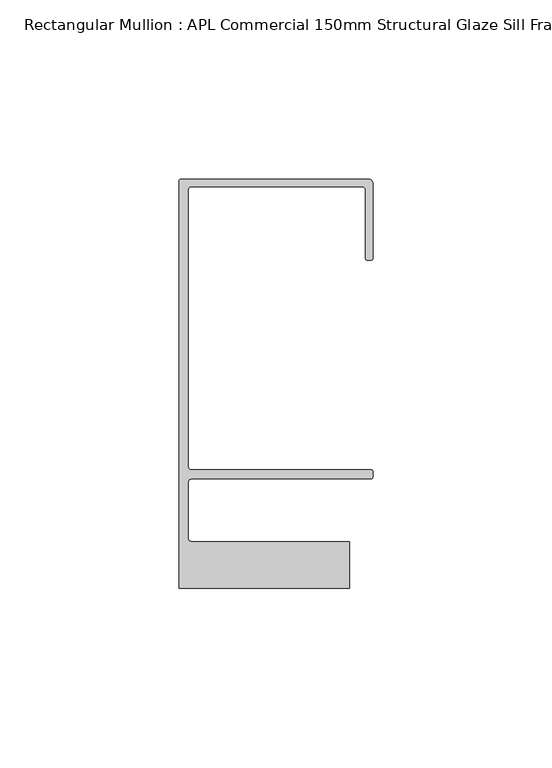
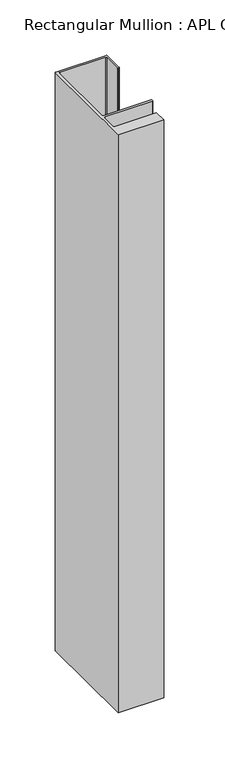
"""IFC4 building model written with IfcOpenShell, lengths in millimetres: member geometry, Rectangular Mullion : APL Commercial 150mm Structural Glaze Sill Frame (Back)."""

import ifcopenshell
import ifcopenshell.guid

model = None  # the IFC model being written
_history = None  # IfcOwnerHistory: only IFC2X3 demands one
_inside = {}  # id of a spatial element -> (the spatial element, [elements in it])
_under = {}  # id of a project, library or spatial element -> (it, [spatial elements below it])
_declared = {}  # id of a project -> (the project, [libraries it declares])
_typed = {}  # id of a type object -> (the type object, [elements of that type])
_made_of = {}  # id of a material, layer set ... -> (it, [elements and type objects made of it])


def new_model(schema):
    """Start an empty IFC model of exactly this schema.

    Asked for "IFC4X3", IfcOpenShell would pick the latest addendum, in which some entities
    have other attributes; the version numbers below select the first issue.
    IFC2X3 requires an IfcOwnerHistory on every rooted entity: one is made here for all.
    """
    global model, _history
    if schema == "IFC4X3":
        model = ifcopenshell.file(schema_version=(4, 3, 0, 0))
    else:
        model = ifcopenshell.file(schema=schema)
    _inside.clear()
    _under.clear()
    _declared.clear()
    _typed.clear()
    _made_of.clear()
    _history = None
    if model.schema == "IFC2X3":
        org = make("IfcOrganization", Name="unknown")
        user = make(
            "IfcPersonAndOrganization",
            ThePerson=make("IfcPerson", FamilyName="unknown"),
            TheOrganization=org,
        )
        app = make(
            "IfcApplication",
            ApplicationDeveloper=org,
            Version="unknown",
            ApplicationFullName="unknown",
            ApplicationIdentifier="unknown",
        )
        _history = make(
            "IfcOwnerHistory",
            OwningUser=user,
            OwningApplication=app,
            ChangeAction="ADDED",
            CreationDate=0,
        )
    return model


def make(cls, **values):
    """One entity of the class cls with the attributes given. An attribute that is None is left unset."""
    return model.create_entity(
        cls, **{name: value for name, value in values.items() if value is not None}
    )


def rooted(cls, **values):
    """An entity with a GlobalId (a new one), such as an element, a storey or a relation."""
    return make(cls, GlobalId=ifcopenshell.guid.new(), OwnerHistory=_history, **values)


def si_unit(unit_type, name, prefix=None):
    """IfcSIUnit, for example si_unit("LENGTHUNIT", "METRE", prefix="MILLI")."""
    return make("IfcSIUnit", UnitType=unit_type, Prefix=prefix, Name=name)


def assignment(units):
    """IfcUnitAssignment: the units of a project."""
    return None if units is None else make("IfcUnitAssignment", Units=units)


def point(xyz):
    """IfcCartesianPoint."""
    return None if xyz is None else make("IfcCartesianPoint", Coordinates=xyz)


def direction(xyz):
    """IfcDirection."""
    return None if xyz is None else make("IfcDirection", DirectionRatios=xyz)


def frame(location, z_axis=None, x_axis=None):
    """IfcAxis2Placement3D, a coordinate frame: its origin and axes. An axis left out is left unset."""
    return make(
        "IfcAxis2Placement3D",
        Location=point(location),
        Axis=direction(z_axis),
        RefDirection=direction(x_axis),
    )


def origin():
    """The frame at (0, 0, 0) with its axes left unset."""
    return frame((0.0, 0.0, 0.0))


def place(relative_to, where):
    """IfcLocalPlacement: puts the frame where relative to a parent placement (None: the world)."""
    return make(
        "IfcLocalPlacement", PlacementRelTo=relative_to, RelativePlacement=where
    )


def context(
    kind, dimensions, precision=None, world=None, true_north=None, identifier=None
):
    """IfcGeometricRepresentationContext, for example the 3D "Model" context."""
    return make(
        "IfcGeometricRepresentationContext",
        ContextIdentifier=identifier,
        ContextType=kind,
        CoordinateSpaceDimension=dimensions,
        Precision=precision,
        WorldCoordinateSystem=world,
        TrueNorth=true_north,
    )


def project(units=None, contexts=None):
    """IfcProject with its units and contexts."""
    return rooted(
        "IfcProject",
        Name="project",
        RepresentationContexts=contexts,
        UnitsInContext=assignment(units),
    )


def spatial(cls, under=None, at=None, **own):
    """A site, building, storey or space (cls), placed at a placement, below another one or the project."""
    s = rooted(cls, ObjectPlacement=at, **own)
    if under is not None:
        _under.setdefault(under.id(), (under, []))[1].append(s)
    return s


def polyline(points):
    """IfcPolyline through the points."""
    return make("IfcPolyline", Points=[point(p) for p in points])


def circle_curve(where, radius):
    """IfcCircle in the frame where."""
    return make("IfcCircle", Position=where, Radius=radius)


def shape(context_of_items, identifier, shape_type, items):
    """IfcShapeRepresentation: the items that make up one representation, for example the "Body"."""
    return make(
        "IfcShapeRepresentation",
        ContextOfItems=context_of_items,
        RepresentationIdentifier=identifier,
        RepresentationType=shape_type,
        Items=items,
    )


def source(mapping_origin, context_of_items, identifier, shape_type, items):
    """IfcRepresentationMap: a shape defined once, which mapped items show again and again."""
    return make(
        "IfcRepresentationMap",
        MappingOrigin=mapping_origin,
        MappedRepresentation=shape(context_of_items, identifier, shape_type, items),
    )


def transform(
    local_origin,
    x_axis=None,
    y_axis=None,
    z_axis=None,
    scale=None,
    scale2=None,
    scale3=None,
    uniform=True,
):
    """IfcCartesianTransformationOperator3D, or its non-uniform kind. x_axis, y_axis, z_axis: its Axis1, 2, 3."""
    if uniform:
        return make(
            "IfcCartesianTransformationOperator3D",
            Axis1=direction(x_axis),
            Axis2=direction(y_axis),
            LocalOrigin=point(local_origin),
            Scale=scale,
            Axis3=direction(z_axis),
        )
    return make(
        "IfcCartesianTransformationOperator3DnonUniform",
        Axis1=direction(x_axis),
        Axis2=direction(y_axis),
        LocalOrigin=point(local_origin),
        Scale=scale,
        Axis3=direction(z_axis),
        Scale2=scale2,
        Scale3=scale3,
    )


def mapped(mapping_source, mapping_target):
    """IfcMappedItem: shows the shape of a source again, moved by a transform."""
    return make(
        "IfcMappedItem", MappingSource=mapping_source, MappingTarget=mapping_target
    )


def made_of(thing, what):
    """Note that an element or type object is made of a material, layer set ...; save() writes the relation."""
    if what is not None:
        _made_of.setdefault(what.id(), (what, []))[1].append(thing)
    return thing


def element(
    cls,
    number,
    at=None,
    inside=None,
    cuts=None,
    type_object=None,
    material=None,
    context=None,
    identifier="Body",
    shape_type=None,
    held_by="IfcProductDefinitionShape",
    body=None,
    shapes=None,
    **own,
):
    """One element of the class cls, such as IfcWall. Its Tag is "e" and its number.

    at: its placement. inside: the storey or other place that contains it. cuts: it is an
    opening in that element (IfcRelVoidsElement). A single representation is given by context,
    identifier, shape_type and body (its items); several are given by shapes. held_by: the class
    of the entity that holds the representations. save() writes the other relations.
    """
    e = rooted(cls, Tag="e%d" % number, ObjectPlacement=at, **own)
    if body is not None:
        shapes = [shape(context, identifier, shape_type, body)]
    if shapes is not None:
        e.Representation = make(held_by, Representations=shapes)
    if inside is not None:
        _inside.setdefault(inside.id(), (inside, []))[1].append(e)
    if cuts is not None:
        rooted(
            "IfcRelVoidsElement", RelatingBuildingElement=cuts, RelatedOpeningElement=e
        )
    if type_object is not None:
        _typed.setdefault(type_object.id(), (type_object, []))[1].append(e)
    return made_of(e, material)


def aggregate(whole, parts):
    """IfcRelAggregates: a whole, such as a stair, and the parts it consists of."""
    return rooted("IfcRelAggregates", RelatingObject=whole, RelatedObjects=parts)


def save(model, path):
    """Write the relations noted so far, then the file.

    IfcRelAggregates (storeys below a building ...), IfcRelContainedInSpatialStructure (elements
    in a storey), IfcRelDefinesByType, IfcRelAssociatesMaterial and IfcRelDeclares: one each for
    every whole, place, type object, material and project.
    """
    for whole, parts in _under.values():
        aggregate(whole, parts)
    for where, things in _inside.values():
        rooted(
            "IfcRelContainedInSpatialStructure",
            RelatedElements=things,
            RelatingStructure=where,
        )
    for kind, things in _typed.values():
        rooted("IfcRelDefinesByType", RelatedObjects=things, RelatingType=kind)
    for what, things in _made_of.values():
        rooted("IfcRelAssociatesMaterial", RelatedObjects=things, RelatingMaterial=what)
    for by, libraries in _declared.values():
        rooted("IfcRelDeclares", RelatingContext=by, RelatedDefinitions=libraries)
    model.write(path)


def plane_surface(at):
    """IfcPlane: the flat surface through the origin of the frame at, square to its z axis."""
    return make("IfcPlane", Position=at)


def cylinder_surface(at, radius):
    """IfcCylindricalSurface: all points at the distance radius from the z axis of the frame at."""
    return make("IfcCylindricalSurface", Position=at, Radius=radius)


def revolved_surface(curve, axis_point, axis_direction):
    """IfcSurfaceOfRevolution: the curve turned about the line through axis_point along axis_direction."""
    return make(
        "IfcSurfaceOfRevolution",
        SweptCurve=make("IfcArbitraryOpenProfileDef", ProfileType="CURVE", Curve=curve),
        AxisPosition=make("IfcAxis1Placement", Location=point(axis_point), Axis=direction(axis_direction)),
    )


def advanced_brep(points, edges, surfaces, faces):
    """IfcAdvancedBrep: a solid bounded by faces that lie on surfaces and meet in shared edges.

    An edge is (start, end): straight between two places in points (the first is 0);
    or (start, end, curve); or (start, end, curve, False) where it runs against its curve.
    A face is (place in surfaces, loops), or (place, loops, False) where it looks against
    its surface's normal. A loop lists edges by number (the first is 1), with a minus sign
    where the edge is run from its end to its start. The first loop is the outer one.
    """
    corners = [point(p) for p in points]
    vertices = [make("IfcVertexPoint", VertexGeometry=c) for c in corners]
    made = []
    for start, end, *more in edges:
        made.append(
            make(
                "IfcEdgeCurve",
                EdgeStart=vertices[start],
                EdgeEnd=vertices[end],
                EdgeGeometry=more[0] if more else make("IfcPolyline", Points=[corners[start], corners[end]]),
                SameSense=more[1] if len(more) > 1 else True,
            )
        )
    hull = []
    for where, loops, *sense in faces:
        bounds = []
        for j, loop in enumerate(loops):
            ring = [make("IfcOrientedEdge", EdgeElement=made[abs(k) - 1], Orientation=k > 0) for k in loop]
            bounds.append(
                make(
                    "IfcFaceOuterBound" if j == 0 else "IfcFaceBound",
                    Bound=make("IfcEdgeLoop", EdgeList=ring),
                    Orientation=True,
                )
            )
        hull.append(make("IfcAdvancedFace", Bounds=bounds, FaceSurface=surfaces[where], SameSense=sense[0] if sense else True))
    return make("IfcAdvancedBrep", Outer=make("IfcClosedShell", CfsFaces=hull))


def rectangular_mullion_apl_commercial_150mm_structural_glaze_166e3e9d(model_context):
    return source(origin(), model_context, "Body", "AdvancedBrep", [
        advanced_brep(
        [(-53.5000083, 129.0001071, 0.0), (-54.0000083, 128.5001071, 0.0), (-54.0000083, 15.0004332, 0.0), (-6.5000083, 15.0004332, 0.0), (-6.5000083, 28.0004332, 0.0), (-50.500032, 28.0004332, 0.0), (-51.500032, 29.0004332, 0.0), (-51.500032, 44.4999541, 0.0), (-50.500032, 45.4999541, 0.0), (-0.521387, 45.4999541, 0.0), (-5.4e-06, 46.0213357, 0.0), (-5.4e-06, 47.5021598, 0.0), (-0.5000012, 48.000115, 0.0), (-50.482081, 48.000115, 0.0), (-51.5000225, 48.9999541, 0.0), (-51.5000225, 126.00011, 0.0), (-50.5000083, 127.00011, 0.0), (-2.9999982, 127.00011, 0.0), (-1.9999982, 126.0001071, 0.0), (-1.9999982, 107.0001071, 0.0), (-1.4999822, 106.5001071, 0.0), (-0.5, 106.5001071, 0.0), (0.0, 107.0001071, 0.0), (0.0, 128.0001071, 0.0), (-1.0000079, 129.0001071, 0.0), (-53.5000083, 129.0001071, -638.9872059), (-1.0000079, 129.0001071, -638.9872059), (-7.9e-06, 128.0001071, -638.9872059), (0.0, 107.0001071, -638.9872059), (-0.5, 106.5001071, -638.9872059), (-1.4999822, 106.5001071, -638.9872059), (-1.9999822, 107.0001071, -638.9872059), (-1.9999982, 126.0001071, -638.9872059), (-2.9999982, 127.0001071, -638.9872059), (-50.5000083, 127.00011, -638.9872059), (-51.5000083, 126.00011, -638.9872059), (-51.5000225, 48.9999541, -638.9872059), (-50.482081, 48.000115, -638.9872059), (-0.5000012, 48.000115, -638.9872059), (-5.4e-06, 47.5021598, -638.9872059), (-5.4e-06, 46.0213357, -638.9872059), (-0.521387, 45.4999541, -638.9872059), (-50.500032, 45.4999541, -638.9872059), (-51.500032, 44.4999541, -638.9872059), (-51.500032, 29.0004332, -638.9872059), (-50.500032, 28.0004332, -638.9872059), (-6.5000083, 28.0004332, -638.9872059), (-6.5000083, 15.0004332, -638.9872059), (-54.0000083, 15.0004332, -638.9872059), (-54.0000083, 128.5001071, -638.9872059)],
        [
            (0, 1, circle_curve(frame((-53.5000083, 128.5001071, 0.0), z_axis=(0.0, 0.0, 1.0), x_axis=(0.0, 1.0, 0.0)), 0.5)),
            (1, 2),
            (2, 3),
            (3, 4),
            (4, 5),
            (5, 6, circle_curve(frame((-50.500032, 29.0004332, 0.0), z_axis=(0.0, 0.0, -1.0), x_axis=(0.0, -1.0, 0.0)), 1.0)),
            (6, 7),
            (7, 8, circle_curve(frame((-50.500032, 44.4999541, 0.0), z_axis=(0.0, 0.0, -1.0), x_axis=(-0.9999999999998819, 4.863123717036027e-07, 0.0)), 1.0)),
            (8, 9),
            (9, 10, circle_curve(frame((-0.521387, 46.0213357, 0.0), z_axis=(0.0, 0.0, 1.0), x_axis=(-1.0, 0.0, 0.0)), 0.5213816)),
            (10, 11),
            (11, 12, circle_curve(frame((-0.5000012, 47.500115, 0.0), z_axis=(0.0, 0.0, 1.0), x_axis=(0.9999999999999991, -4.5120271963110614e-08, 0.0)), 0.5)),
            (12, 13),
            (13, 14, circle_curve(frame((-50.5000225, 48.9999541, 0.0), z_axis=(0.0, 0.0, -1.0), x_axis=(3.5344775231070867e-06, -0.9999999999937538, 0.0)), 1.0)),
            (14, 15),
            (15, 16, circle_curve(frame((-50.5000083, 126.00011, 0.0), z_axis=(0.0, 0.0, -1.0), x_axis=(-1.0, 3.636202450239078e-12, 0.0)), 1.0)),
            (16, 17),
            (17, 18, circle_curve(frame((-2.9999982, 126.0001071, 0.0), z_axis=(0.0, 0.0, -1.0), x_axis=(0.0, 1.0, 0.0)), 1.0)),
            (18, 19),
            (19, 20, circle_curve(frame((-1.4999822, 107.0001071, 0.0), z_axis=(0.0, 0.0, 1.0), x_axis=(-1.0, -1.039279773351609e-08, 0.0)), 0.5)),
            (20, 21),
            (21, 22, circle_curve(frame((-0.5, 107.0001071, 0.0), z_axis=(0.0, 0.0, 1.0), x_axis=(0.0, -1.0, 0.0)), 0.5)),
            (22, 23),
            (23, 24, circle_curve(frame((-1.0000079, 128.0001071, 0.0), z_axis=(0.0, 0.0, 1.0), x_axis=(0.9999999999996143, 8.78371761103865e-07, 0.0)), 1.0)),
            (24, 0),
            (25, 26),
            (26, 27, circle_curve(frame((-1.0000079, 128.0001071, -638.9872059), z_axis=(0.0, 0.0, -1.0), x_axis=(0.9999999999996143, 8.78371761103865e-07, 0.0)), 1.0)),
            (27, 28),
            (28, 29, circle_curve(frame((-0.5, 107.0001071, -638.9872059), z_axis=(0.0, 0.0, -1.0), x_axis=(0.0, -1.0, 0.0)), 0.5)),
            (29, 30),
            (30, 31, circle_curve(frame((-1.4999822, 107.0001071, -638.9872059), z_axis=(0.0, 0.0, -1.0), x_axis=(-1.0, -1.039279773351609e-08, 0.0)), 0.5)),
            (31, 32),
            (32, 33, circle_curve(frame((-2.9999982, 126.0001071, -638.9872059), z_axis=(0.0, 0.0, 1.0), x_axis=(0.0, 1.0, 0.0)), 1.0)),
            (33, 34),
            (34, 35, circle_curve(frame((-50.5000083, 126.00011, -638.9872059), z_axis=(0.0, 0.0, 1.0), x_axis=(-1.0, 3.636202450239078e-12, 0.0)), 1.0)),
            (35, 36),
            (36, 37, circle_curve(frame((-50.5000225, 48.9999541, -638.9872059), z_axis=(0.0, 0.0, 1.0), x_axis=(3.5344775231070867e-06, -0.9999999999937538, 0.0)), 1.0)),
            (37, 38),
            (38, 39, circle_curve(frame((-0.5000012, 47.500115, -638.9872059), z_axis=(0.0, 0.0, -1.0), x_axis=(0.9999999999999991, -4.5120271963110614e-08, 0.0)), 0.5)),
            (39, 40),
            (40, 41, circle_curve(frame((-0.521387, 46.0213357, -638.9872059), z_axis=(0.0, 0.0, -1.0), x_axis=(-1.0, 0.0, 0.0)), 0.5213816)),
            (41, 42),
            (42, 43, circle_curve(frame((-50.500032, 44.4999541, -638.9872059), z_axis=(0.0, 0.0, 1.0), x_axis=(-0.9999999999998819, 4.863123717036027e-07, 0.0)), 1.0)),
            (43, 44),
            (44, 45, circle_curve(frame((-50.500032, 29.0004332, -638.9872059), z_axis=(0.0, 0.0, 1.0), x_axis=(0.0, -1.0, 0.0)), 1.0)),
            (45, 46),
            (46, 47),
            (47, 48),
            (48, 49),
            (49, 25, circle_curve(frame((-53.5000083, 128.5001071, -638.9872059), z_axis=(0.0, 0.0, -1.0), x_axis=(0.0, 1.0, 0.0)), 0.5)),
            (0, 25),
            (49, 1),
            (48, 2),
            (47, 3),
            (46, 4),
            (45, 5),
            (44, 6),
            (43, 7),
            (42, 8),
            (41, 9),
            (40, 10),
            (39, 11),
            (23, 27),
            (26, 24),
            (38, 12),
            (37, 13),
            (36, 14),
            (35, 15),
            (34, 16),
            (33, 17),
            (32, 18),
            (31, 19),
            (30, 20),
            (29, 21),
            (28, 22),
        ],
        [
            plane_surface(frame((0.0, -139.6548314, 0.0), z_axis=(0.0, 0.0, 1.0), x_axis=(-1.0, 0.0, 0.0))),
            plane_surface(frame((0.0, -139.6548314, -638.9872059), z_axis=(0.0, 0.0, -1.0), x_axis=(-1.0, 0.0, 0.0))),
            cylinder_surface(frame((-53.5000083, 128.5001071, 0.0), z_axis=(0.0, 0.0, 1.0), x_axis=(0.0, 1.0, 0.0)), 0.5),
            plane_surface(frame((-54.0000083, 128.5001071, 0.0), z_axis=(-1.0, 0.0, 0.0), x_axis=(0.0, 0.0, -1.0))),
            plane_surface(frame((-54.0000083, 15.0004332, 0.0), z_axis=(0.0, -1.0, 0.0), x_axis=(0.0, 0.0, -1.0))),
            plane_surface(frame((-6.5000083, 15.0004332, 0.0), z_axis=(1.0, 0.0, 0.0), x_axis=(0.0, 0.0, -1.0))),
            plane_surface(frame((-6.5000083, 28.0004332, 0.0), z_axis=(0.0, 1.0, 0.0), x_axis=(0.0, 0.0, -1.0))),
            revolved_surface(polyline([(-50.500032, 28.0004332, -638.9872059), (-50.500032, 28.0004332, 0.0)]), (-50.500032, 29.0004332, 0.0), (0.0, 0.0, -1.0)),
            plane_surface(frame((-51.500032, 29.0004332, 0.0), z_axis=(1.0, 0.0, 0.0), x_axis=(0.0, 0.0, -1.0))),
            revolved_surface(polyline([(-51.50003199999988, 44.49995458631237, -638.9872059000003), (-51.50003199999988, 44.49995458631237, 0.0)]), (-50.500032, 44.4999541, 0.0), (0.0, 0.0, -1.0000000000000002)),
            plane_surface(frame((-50.500032, 45.4999541, 0.0), z_axis=(0.0, -1.0, 0.0), x_axis=(0.0, 0.0, -1.0))),
            cylinder_surface(frame((-0.521387, 46.0213357, 0.0), z_axis=(0.0, 0.0, 1.0), x_axis=(-1.0, 0.0, 0.0)), 0.5213816),
            plane_surface(frame((-5.4e-06, 46.0213357, 0.0), z_axis=(1.0, 0.0, 0.0), x_axis=(0.0, 0.0, -1.0))),
            cylinder_surface(frame((-1.0000079, 128.0001071, 0.0), z_axis=(0.0, 0.0, 1.0000000000000002), x_axis=(0.9999999999996143, 8.78371761103865e-07, 0.0)), 1.0),
            plane_surface(frame((-1.0000079, 129.0001071, 0.0), z_axis=(0.0, 1.0, 0.0), x_axis=(0.0, 0.0, -1.0))),
            cylinder_surface(frame((-0.5000012, 47.500115, 0.0), z_axis=(0.0, 0.0, 1.0000000000000002), x_axis=(0.9999999999999991, -4.5120271963110614e-08, 0.0)), 0.5),
            plane_surface(frame((-0.5000012, 48.000115, 0.0), z_axis=(0.0, 1.0, 0.0), x_axis=(0.0, 0.0, -1.0))),
            revolved_surface(polyline([(-50.50001896552248, 47.99995410000624, -638.9872059), (-50.50001896552248, 47.99995410000624, 0.0)]), (-50.5000225, 48.9999541, 0.0), (0.0, 0.0, -1.0)),
            plane_surface(frame((-51.5000225, 48.9999541, 0.0), z_axis=(1.0, 0.0, 0.0), x_axis=(0.0, 0.0, -1.0))),
            revolved_surface(polyline([(-51.5000083, 126.00011000000364, -638.9872059), (-51.5000083, 126.00011000000364, 0.0)]), (-50.5000083, 126.00011, 0.0), (0.0, 0.0, -1.0)),
            plane_surface(frame((-50.5000083, 127.00011, 0.0), z_axis=(0.0, -1.0, 0.0), x_axis=(0.0, 0.0, -1.0))),
            revolved_surface(polyline([(-2.9999982, 127.0001071, -638.9872059), (-2.9999982, 127.0001071, 0.0)]), (-2.9999982, 126.0001071, 0.0), (0.0, 0.0, -1.0)),
            plane_surface(frame((-1.9999982, 126.0001071, 0.0), z_axis=(-1.0, 0.0, 0.0), x_axis=(0.0, 0.0, -1.0))),
            cylinder_surface(frame((-1.4999822, 107.0001071, 0.0), z_axis=(0.0, 0.0, 1.0), x_axis=(-1.0, -1.039279773351609e-08, 0.0)), 0.5),
            plane_surface(frame((-1.4999822, 106.5001071, 0.0), z_axis=(0.0, -1.0, 0.0), x_axis=(0.0, 0.0, -1.0))),
            cylinder_surface(frame((-0.5, 107.0001071, 0.0), z_axis=(0.0, 0.0, 1.0), x_axis=(0.0, -1.0, 0.0)), 0.5),
            plane_surface(frame((0.0, 107.0001071, 0.0), z_axis=(1.0, 0.0, 0.0), x_axis=(0.0, 0.0, -1.0))),
        ],
        [
            (0, [[1, 2, 3, 4, 5, 6, 7, 8, 9, 10, 11, 12, 13, 14, 15, 16, 17, 18, 19, 20, 21, 22, 23, 24, 25]]),
            (1, [[26, 27, 28, 29, 30, 31, 32, 33, 34, 35, 36, 37, 38, 39, 40, 41, 42, 43, 44, 45, 46, 47, 48, 49, 50]]),
            (2, [[-1, 51, -50, 52]]),
            (3, [[-2, -52, -49, 53]]),
            (4, [[-3, -53, -48, 54]]),
            (5, [[-4, -54, -47, 55]]),
            (6, [[-5, -55, -46, 56]]),
            (7, [[-6, -56, -45, 57]]),
            (8, [[-7, -57, -44, 58]]),
            (9, [[-8, -58, -43, 59]]),
            (10, [[-9, -59, -42, 60]]),
            (11, [[-10, -60, -41, 61]]),
            (12, [[-11, -61, -40, 62]]),
            (13, [[-24, 63, -27, 64]]),
            (14, [[-25, -64, -26, -51]]),
            (15, [[-12, -62, -39, 65]]),
            (16, [[-13, -65, -38, 66]]),
            (17, [[-14, -66, -37, 67]]),
            (18, [[-15, -67, -36, 68]]),
            (19, [[-16, -68, -35, 69]]),
            (20, [[-17, -69, -34, 70]]),
            (21, [[-18, -70, -33, 71]]),
            (22, [[-19, -71, -32, 72]]),
            (23, [[-20, -72, -31, 73]]),
            (24, [[-21, -73, -30, 74]]),
            (25, [[-22, -74, -29, 75]]),
            (26, [[-23, -75, -28, -63]]),
        ],
    ),
    ])


if __name__ == "__main__":
    model = new_model("IFC4")
    model_context = context("Model", 3, world=origin())
    ifc_project = project(units=[si_unit("LENGTHUNIT", "METRE", prefix="MILLI")], contexts=[model_context])
    site = spatial("IfcSite", under=ifc_project)
    building = spatial("IfcBuilding", under=site)
    placement = place(None, origin())
    rectangular_mullion_apl_commercial_150mm_structural_glaze_shape = rectangular_mullion_apl_commercial_150mm_structural_glaze_166e3e9d(model_context)
    element("IfcMember", 1, ObjectType="Rectangular Mullion : APL Commercial 150mm Structural Glaze Sill Frame (Back)", at=placement, inside=building, context=model_context, shape_type="MappedRepresentation", body=[
        mapped(rectangular_mullion_apl_commercial_150mm_structural_glaze_shape, transform((0.0, 0.0, 0.0), x_axis=(1.0, 0.0, 0.0), y_axis=(0.0, 1.0, 0.0), z_axis=(0.0, 0.0, 1.0))),
    ])
    save(model, "model.ifc")
